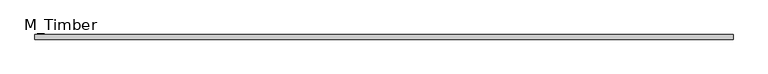
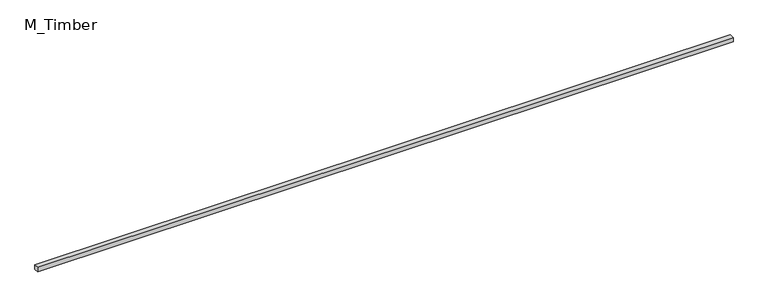
"""IFC4 building model written with IfcOpenShell, lengths in millimetres: beam geometry, M_Timber."""

from ifc_helpers import new_model, si_unit, frame, origin, place, context, project, spatial, polyline, outline, extrude, source, transform, mapped, element, save


def m_timber_786f75ed(model_context):
    return source(origin(), model_context, "Body", "SweptSolid", [
        extrude(outline(polyline([(3003.0556458, 20.0), (3003.0556458, -20.0), (-3003.0556458, -20.0), (-3003.0556458, 20.0), (3003.0556458, 20.0)])), frame((0.0, 0.0, -20.0), z_axis=(0.0, 0.0, 1.0), x_axis=(1.0, 0.0, 0.0)), (0.0, 0.0, 1.0), 40.0),
    ])


if __name__ == "__main__":
    model = new_model("IFC4")
    model_context = context("Model", 3, world=origin())
    ifc_project = project(units=[si_unit("LENGTHUNIT", "METRE", prefix="MILLI")], contexts=[model_context])
    site = spatial("IfcSite", under=ifc_project)
    building = spatial("IfcBuilding", under=site)
    placement = place(None, origin())
    m_timber_shape = m_timber_786f75ed(model_context)
    element("IfcBeam", 1, ObjectType="M_Timber", at=placement, inside=building, context=model_context, shape_type="MappedRepresentation", body=[
        mapped(m_timber_shape, transform((0.0, 0.0, 0.0), x_axis=(1.0, 0.0, 0.0), y_axis=(0.0, 1.0, 0.0), z_axis=(0.0, 0.0, 1.0))),
    ])
    save(model, "model.ifc")
